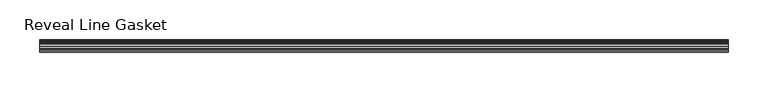
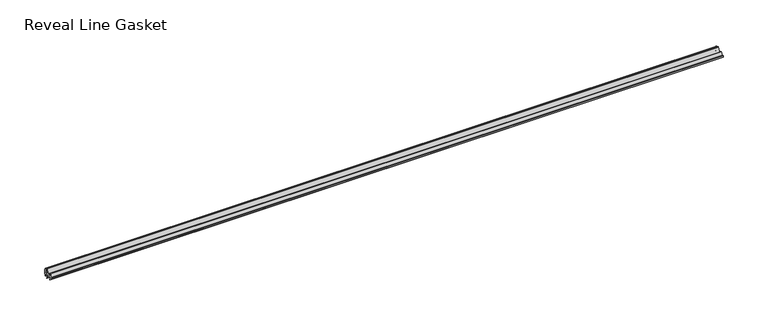
"""IFC4 building model written with IfcOpenShell, lengths in millimetres: furniture geometry, Reveal Line Gasket."""

from ifc_helpers import new_model, si_unit, point, frame, frame_2d, origin, place, context, project, spatial, polyline, circle_curve, trimmed, segment, composite_curve, outline, extrude, source, transform, mapped, element, save


def reveal_line_gasket_24257de9(model_context):
    return source(origin(), model_context, "Body", "SweptSolid", [
        extrude(outline(composite_curve([segment(polyline([(7.6326998, 1603.2), (7.6326998, 1597.2), (7.4091917, 1596.2445073), (6.8813059, 1595.3115316)]), True, "CONTINUOUS"), segment(trimmed(circle_curve(frame_2d((6.5243141, 1595.5135207)), 0.4101739), [point((6.8813059, 1595.3115316))], [point((6.1246704, 1595.6058653))], False, "CARTESIAN"), True, "CONTINUOUS"), segment(polyline([(6.1246704, 1595.6058653), (6.3626997, 1597.3020914), (6.3626997, 1599.3345473)]), True, "CONTINUOUS"), segment(trimmed(circle_curve(frame_2d((5.6959605, 1598.9180742)), 0.786124), [point((6.3626997, 1599.3345473))], [point((5.0926996, 1599.422125))], True, "CARTESIAN"), True, "CONTINUOUS"), segment(polyline([(5.0926996, 1599.422125), (0.7492996, 1599.422125), (3.7293824, 1594.2604705)]), True, "CONTINUOUS"), segment(trimmed(circle_curve(frame_2d((3.3132479, 1594.1950239)), 0.4212495), [point((3.7293824, 1594.2604705))], [point((3.0485022, 1593.8673642))], False, "CARTESIAN"), True, "CONTINUOUS"), segment(polyline([(3.0485022, 1593.8673642), (-0.5742594, 1599.422125), (-4.8262978, 1599.422125), (-3.1660374, 1596.5464703)]), True, "CONTINUOUS"), segment(trimmed(circle_curve(frame_2d((-3.5978728, 1596.4881145)), 0.4357605), [point((-3.1660374, 1596.5464703))], [point((-3.864328, 1596.1433119))], False, "CARTESIAN"), True, "CONTINUOUS"), segment(polyline([(-3.864328, 1596.1433119), (-6.1944059, 1599.422125), (-7.6326998, 1599.422125), (-7.6326998, 1600.977875), (-6.1944059, 1600.977875), (-3.864328, 1604.2566881)]), True, "CONTINUOUS"), segment(trimmed(circle_curve(frame_2d((-3.5978728, 1603.9118855)), 0.4357605), [point((-3.864328, 1604.2566881))], [point((-3.1660374, 1603.8535297))], False, "CARTESIAN"), True, "CONTINUOUS"), segment(polyline([(-3.1660374, 1603.8535297), (-4.8262978, 1600.977875), (-0.5742594, 1600.977875), (3.0485022, 1606.5326358)]), True, "CONTINUOUS"), segment(trimmed(circle_curve(frame_2d((3.3132479, 1606.2049761)), 0.4212495), [point((3.0485022, 1606.5326358))], [point((3.7293824, 1606.1395295))], False, "CARTESIAN"), True, "CONTINUOUS"), segment(polyline([(3.7293824, 1606.1395295), (0.7492996, 1600.977875), (5.0926996, 1600.977875)]), True, "CONTINUOUS"), segment(trimmed(circle_curve(frame_2d((5.6959605, 1601.4819258)), 0.786124), [point((5.0926996, 1600.977875))], [point((6.3626997, 1601.0654527))], True, "CARTESIAN"), True, "CONTINUOUS"), segment(polyline([(6.3626997, 1601.0654527), (6.3626997, 1603.0979086), (6.1246704, 1604.7941347)]), True, "CONTINUOUS"), segment(trimmed(circle_curve(frame_2d((6.5243141, 1604.8864793)), 0.4101739), [point((6.1246704, 1604.7941347))], [point((6.8813059, 1605.0884684))], False, "CARTESIAN"), True, "CONTINUOUS"), segment(polyline([(6.8813059, 1605.0884684), (7.4091917, 1604.1554927), (7.6326998, 1603.2)]), True, "CONTINUOUS")], self_intersect=False)), frame((-431.199949, 0.0, 0.0), z_axis=(1.0, 0.0, 0.0), x_axis=(0.0, 1.0, 0.0)), (0.0, 0.0, 1.0), 862.3998981),
    ])


if __name__ == "__main__":
    model = new_model("IFC4")
    model_context = context("Model", 3, world=origin())
    ifc_project = project(units=[si_unit("LENGTHUNIT", "METRE", prefix="MILLI")], contexts=[model_context])
    site = spatial("IfcSite", under=ifc_project)
    building = spatial("IfcBuilding", under=site)
    placement = place(None, origin())
    reveal_line_gasket_shape = reveal_line_gasket_24257de9(model_context)
    element("IfcFurniture", 1, ObjectType="Reveal Line Gasket", at=placement, inside=building, context=model_context, shape_type="MappedRepresentation", body=[
        mapped(reveal_line_gasket_shape, transform((0.0, 0.0, 0.0), x_axis=(1.0, 0.0, 0.0), y_axis=(0.0, 1.0, 0.0), z_axis=(0.0, 0.0, 1.0))),
    ])
    save(model, "model.ifc")
